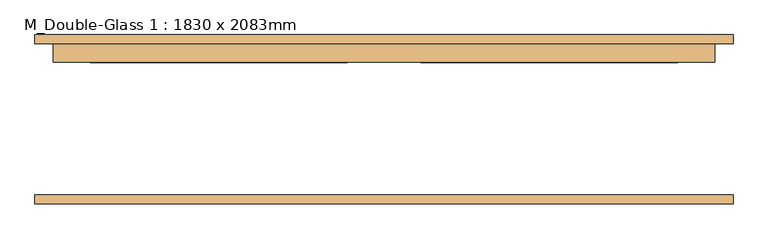
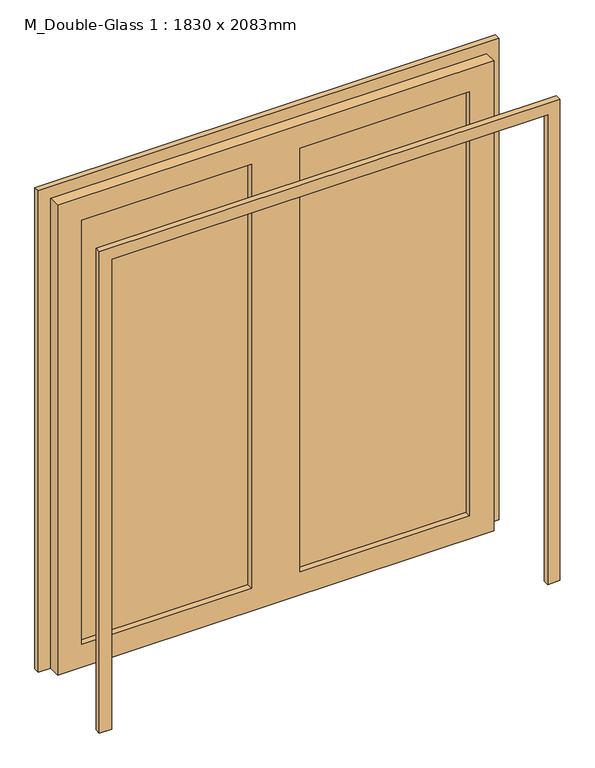
"""IFC4 building model written with IfcOpenShell, lengths in millimetres: door geometry, M_Double-Glass 1 : 1830 x 2083mm."""

from ifc_helpers import new_model, si_unit, frame, origin, place, context, project, spatial, polyline, outline, extrude, source, transform, mapped, element, save


def m_double_glass_1_1830_x_2083mm_d3b8319a(model_context):
    return source(origin(), model_context, "Body", "SweptSolid", [
        extrude(outline(polyline([(0.0, 966.0), (2134.0, 966.0), (2134.0, -966.0), (0.0, -966.0), (0.0, -915.0), (2083.0, -915.0), (2083.0, 915.0), (0.0, 915.0), (0.0, 966.0)])), frame((0.0, -232.11875, 0.0), z_axis=(0.0, 1.0, 0.0), x_axis=(0.0, 0.0, 1.0)), (0.0, 0.0, 1.0), 25.0),
        extrude(outline(polyline([(2083.0, 915.0), (0.0, 915.0), (0.0, 966.0), (2134.0, 966.0), (2134.0, -966.0), (0.0, -966.0), (0.0, -915.0), (2083.0, -915.0), (2083.0, 915.0)])), frame((0.0, 211.88125, 0.0), z_axis=(0.0, 1.0, 0.0), x_axis=(0.0, 0.0, 1.0)), (0.0, 0.0, 1.0), 25.0),
        extrude(outline(polyline([(813.4, 186.48125), (101.6, 186.48125), (101.6, 193.625), (813.4, 193.625), (813.4, 186.48125)])), frame((0.0, 0.0, 102.0), z_axis=(0.0, 0.0, 1.0), x_axis=(1.0, 0.0, 0.0)), (0.0, 0.0, 1.0), 1879.0),
        extrude(outline(polyline([(-101.6, 186.48125), (-813.4, 186.48125), (-813.4, 193.625), (-101.6, 193.625), (-101.6, 186.48125)])), frame((0.0, 0.0, 102.0), z_axis=(0.0, 0.0, 1.0), x_axis=(1.0, 0.0, 0.0)), (0.0, 0.0, 1.0), 1879.0),
        extrude(outline(polyline([(2083.0, 915.0), (2083.0, -915.0), (0.0, -915.0), (0.0, 915.0), (2083.0, 915.0)]), holes=[polyline([(1981.0, -101.6), (102.0, -101.6), (102.0, -813.4), (1981.0, -813.4), (1981.0, -101.6)]), polyline([(1981.0, 813.4), (102.0, 813.4), (102.0, 101.6), (1981.0, 101.6), (1981.0, 813.4)])]), frame((0.0, 160.88125, 0.0), z_axis=(0.0, 1.0, 0.0), x_axis=(0.0, 0.0, 1.0)), (0.0, 0.0, 1.0), 51.0),
    ])


if __name__ == "__main__":
    model = new_model("IFC4")
    model_context = context("Model", 3, world=origin())
    ifc_project = project(units=[si_unit("LENGTHUNIT", "METRE", prefix="MILLI")], contexts=[model_context])
    site = spatial("IfcSite", under=ifc_project)
    building = spatial("IfcBuilding", under=site)
    placement = place(None, origin())
    m_double_glass_1_1830_x_2083mm_shape = m_double_glass_1_1830_x_2083mm_d3b8319a(model_context)
    element("IfcDoor", 1, ObjectType="M_Double-Glass 1 : 1830 x 2083mm", at=placement, inside=building, context=model_context, shape_type="MappedRepresentation", body=[
        mapped(m_double_glass_1_1830_x_2083mm_shape, transform((0.0, 0.0, 0.0), x_axis=(1.0, 0.0, 0.0), y_axis=(0.0, 1.0, 0.0), z_axis=(0.0, 0.0, 1.0))),
    ])
    save(model, "model.ifc")
